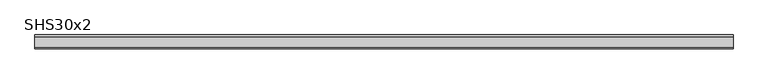
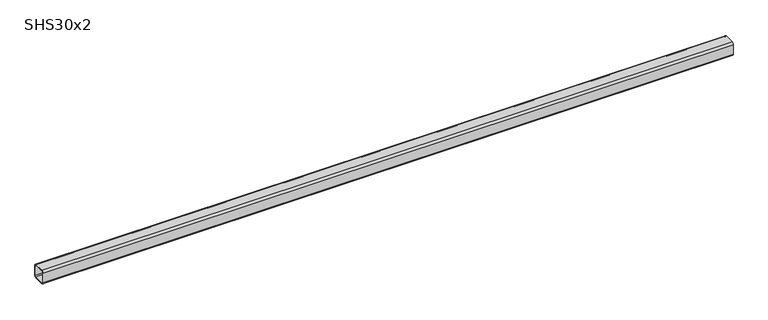
"""IFC4 building model written with IfcOpenShell, lengths in millimetres: beam geometry, SHS30x2."""

from ifc_helpers import new_model, si_unit, point, frame, frame_2d, origin, place, context, project, spatial, polyline, circle_curve, trimmed, segment, composite_curve, outline, extrude, source, transform, mapped, element, save


def shs30x2_3f2c5e39(model_context):
    return source(origin(), model_context, "Body", "SweptSolid", [
        extrude(outline(composite_curve([segment(polyline([(15.0, 11.0), (15.0, -11.0)]), True, "CONTINUOUS"), segment(trimmed(circle_curve(frame_2d((11.0, -11.0)), 4.0), [point((15.0, -11.0))], [point((11.0, -15.0))], False, "CARTESIAN"), True, "CONTINUOUS"), segment(polyline([(11.0, -15.0), (-11.0, -15.0)]), True, "CONTINUOUS"), segment(trimmed(circle_curve(frame_2d((-11.0, -11.0)), 4.0), [point((-11.0, -15.0))], [point((-15.0, -11.0))], False, "CARTESIAN"), True, "CONTINUOUS"), segment(polyline([(-15.0, -11.0), (-15.0, 11.0)]), True, "CONTINUOUS"), segment(trimmed(circle_curve(frame_2d((-11.0, 11.0)), 4.0), [point((-15.0, 11.0))], [point((-11.0, 15.0))], False, "CARTESIAN"), True, "CONTINUOUS"), segment(polyline([(-11.0, 15.0), (11.0, 15.0)]), True, "CONTINUOUS"), segment(trimmed(circle_curve(frame_2d((11.0, 11.0)), 4.0), [point((11.0, 15.0))], [point((15.0, 11.0))], False, "CARTESIAN"), True, "CONTINUOUS")], self_intersect=False), holes=[composite_curve([segment(trimmed(circle_curve(frame_2d((-11.0, 11.0)), 2.0), [point((-11.0, 13.0))], [point((-13.0, 11.0))], True, "CARTESIAN"), True, "CONTINUOUS"), segment(polyline([(-13.0, 11.0), (-13.0, -11.0)]), True, "CONTINUOUS"), segment(trimmed(circle_curve(frame_2d((-11.0, -11.0)), 2.0), [point((-13.0, -11.0))], [point((-11.0, -13.0))], True, "CARTESIAN"), True, "CONTINUOUS"), segment(polyline([(-11.0, -13.0), (11.0, -13.0)]), True, "CONTINUOUS"), segment(trimmed(circle_curve(frame_2d((11.0, -11.0)), 2.0), [point((11.0, -13.0))], [point((13.0, -11.0))], True, "CARTESIAN"), True, "CONTINUOUS"), segment(polyline([(13.0, -11.0), (13.0, 11.0)]), True, "CONTINUOUS"), segment(trimmed(circle_curve(frame_2d((11.0, 11.0)), 2.0), [point((13.0, 11.0))], [point((11.0, 13.0))], True, "CARTESIAN"), True, "CONTINUOUS"), segment(polyline([(11.0, 13.0), (-11.0, 13.0)]), True, "CONTINUOUS")], self_intersect=False)]), frame((-750.0, 0.0, 0.0), z_axis=(1.0, 0.0, 0.0), x_axis=(0.0, 1.0, 0.0)), (0.0, 0.0, 1.0), 1487.0),
    ])


if __name__ == "__main__":
    model = new_model("IFC4")
    model_context = context("Model", 3, world=origin())
    ifc_project = project(units=[si_unit("LENGTHUNIT", "METRE", prefix="MILLI")], contexts=[model_context])
    site = spatial("IfcSite", under=ifc_project)
    building = spatial("IfcBuilding", under=site)
    placement = place(None, origin())
    shs30x2_shape = shs30x2_3f2c5e39(model_context)
    element("IfcBeam", 1, ObjectType="SHS30x2", at=placement, inside=building, context=model_context, shape_type="MappedRepresentation", body=[
        mapped(shs30x2_shape, transform((0.0, 0.0, 0.0), x_axis=(1.0, 0.0, 0.0), y_axis=(0.0, 1.0, 0.0), z_axis=(0.0, 0.0, 1.0))),
    ])
    save(model, "model.ifc")
